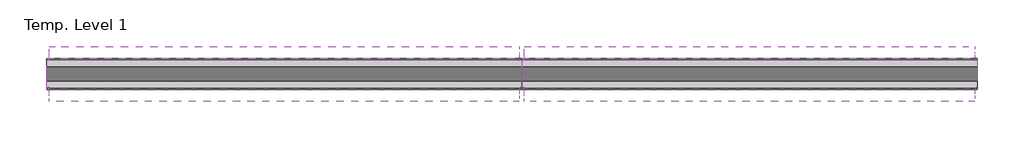
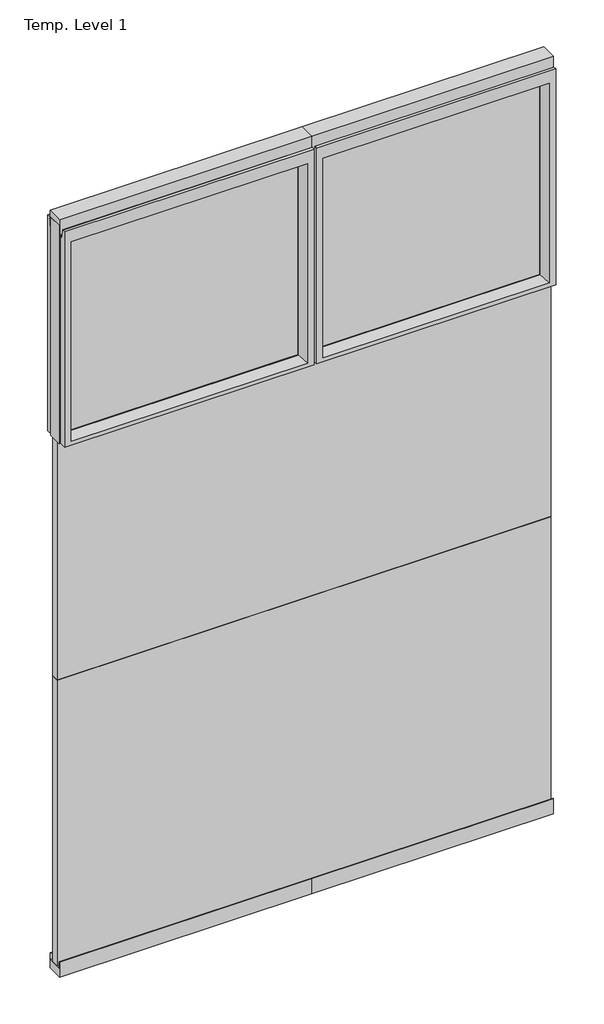
# One storey: 4 members, 4 plates.
"""IFC4 building model written with IfcOpenShell, lengths in millimetres."""

import ifcopenshell
import ifcopenshell.guid

model = None  # the IFC model being written
_history = None  # IfcOwnerHistory: only IFC2X3 demands one
_inside = {}  # id of a spatial element -> (the spatial element, [elements in it])
_under = {}  # id of a project, library or spatial element -> (it, [spatial elements below it])
_declared = {}  # id of a project -> (the project, [libraries it declares])
_typed = {}  # id of a type object -> (the type object, [elements of that type])
_made_of = {}  # id of a material, layer set ... -> (it, [elements and type objects made of it])


def new_model(schema):
    """Start an empty IFC model of exactly this schema.

    Asked for "IFC4X3", IfcOpenShell would pick the latest addendum, in which some entities
    have other attributes; the version numbers below select the first issue.
    IFC2X3 requires an IfcOwnerHistory on every rooted entity: one is made here for all.
    """
    global model, _history
    if schema == "IFC4X3":
        model = ifcopenshell.file(schema_version=(4, 3, 0, 0))
    else:
        model = ifcopenshell.file(schema=schema)
    _inside.clear()
    _under.clear()
    _declared.clear()
    _typed.clear()
    _made_of.clear()
    _history = None
    if model.schema == "IFC2X3":
        org = make("IfcOrganization", Name="unknown")
        user = make(
            "IfcPersonAndOrganization",
            ThePerson=make("IfcPerson", FamilyName="unknown"),
            TheOrganization=org,
        )
        app = make(
            "IfcApplication",
            ApplicationDeveloper=org,
            Version="unknown",
            ApplicationFullName="unknown",
            ApplicationIdentifier="unknown",
        )
        _history = make(
            "IfcOwnerHistory",
            OwningUser=user,
            OwningApplication=app,
            ChangeAction="ADDED",
            CreationDate=0,
        )
    return model


def make(cls, **values):
    """One entity of the class cls with the attributes given. An attribute that is None is left unset."""
    return model.create_entity(
        cls, **{name: value for name, value in values.items() if value is not None}
    )


def rooted(cls, **values):
    """An entity with a GlobalId (a new one), such as an element, a storey or a relation."""
    return make(cls, GlobalId=ifcopenshell.guid.new(), OwnerHistory=_history, **values)


def si_unit(unit_type, name, prefix=None):
    """IfcSIUnit, for example si_unit("LENGTHUNIT", "METRE", prefix="MILLI")."""
    return make("IfcSIUnit", UnitType=unit_type, Prefix=prefix, Name=name)


def assignment(units):
    """IfcUnitAssignment: the units of a project."""
    return None if units is None else make("IfcUnitAssignment", Units=units)


def point(xyz):
    """IfcCartesianPoint."""
    return None if xyz is None else make("IfcCartesianPoint", Coordinates=xyz)


def direction(xyz):
    """IfcDirection."""
    return None if xyz is None else make("IfcDirection", DirectionRatios=xyz)


def frame(location, z_axis=None, x_axis=None):
    """IfcAxis2Placement3D, a coordinate frame: its origin and axes. An axis left out is left unset."""
    return make(
        "IfcAxis2Placement3D",
        Location=point(location),
        Axis=direction(z_axis),
        RefDirection=direction(x_axis),
    )


def origin():
    """The frame at (0, 0, 0) with its axes left unset."""
    return frame((0.0, 0.0, 0.0))


def place(relative_to, where):
    """IfcLocalPlacement: puts the frame where relative to a parent placement (None: the world)."""
    return make(
        "IfcLocalPlacement", PlacementRelTo=relative_to, RelativePlacement=where
    )


def context(
    kind, dimensions, precision=None, world=None, true_north=None, identifier=None
):
    """IfcGeometricRepresentationContext, for example the 3D "Model" context."""
    return make(
        "IfcGeometricRepresentationContext",
        ContextIdentifier=identifier,
        ContextType=kind,
        CoordinateSpaceDimension=dimensions,
        Precision=precision,
        WorldCoordinateSystem=world,
        TrueNorth=true_north,
    )


def project(units=None, contexts=None):
    """IfcProject with its units and contexts."""
    return rooted(
        "IfcProject",
        Name="project",
        RepresentationContexts=contexts,
        UnitsInContext=assignment(units),
    )


def spatial(cls, under=None, at=None, **own):
    """A site, building, storey or space (cls), placed at a placement, below another one or the project."""
    s = rooted(cls, ObjectPlacement=at, **own)
    if under is not None:
        _under.setdefault(under.id(), (under, []))[1].append(s)
    return s


def polyline(points):
    """IfcPolyline through the points."""
    return make("IfcPolyline", Points=[point(p) for p in points])


def circle_curve(where, radius):
    """IfcCircle in the frame where."""
    return make("IfcCircle", Position=where, Radius=radius)


def outline(outer, holes=None, kind="AREA"):
    """IfcArbitraryClosedProfileDef: a profile drawn as a closed curve; with holes, ...WithVoids."""
    if holes is None:
        return make("IfcArbitraryClosedProfileDef", ProfileType=kind, OuterCurve=outer)
    return make(
        "IfcArbitraryProfileDefWithVoids",
        ProfileType=kind,
        OuterCurve=outer,
        InnerCurves=holes,
    )


def extrude(swept, where, along, depth):
    """IfcExtrudedAreaSolid: the profile swept, set in the frame where, extruded along a direction by depth."""
    return make(
        "IfcExtrudedAreaSolid",
        SweptArea=swept,
        Position=where,
        ExtrudedDirection=direction(along),
        Depth=depth,
    )


def shape(context_of_items, identifier, shape_type, items):
    """IfcShapeRepresentation: the items that make up one representation, for example the "Body"."""
    return make(
        "IfcShapeRepresentation",
        ContextOfItems=context_of_items,
        RepresentationIdentifier=identifier,
        RepresentationType=shape_type,
        Items=items,
    )


def source(mapping_origin, context_of_items, identifier, shape_type, items):
    """IfcRepresentationMap: a shape defined once, which mapped items show again and again."""
    return make(
        "IfcRepresentationMap",
        MappingOrigin=mapping_origin,
        MappedRepresentation=shape(context_of_items, identifier, shape_type, items),
    )


def transform(
    local_origin,
    x_axis=None,
    y_axis=None,
    z_axis=None,
    scale=None,
    scale2=None,
    scale3=None,
    uniform=True,
):
    """IfcCartesianTransformationOperator3D, or its non-uniform kind. x_axis, y_axis, z_axis: its Axis1, 2, 3."""
    if uniform:
        return make(
            "IfcCartesianTransformationOperator3D",
            Axis1=direction(x_axis),
            Axis2=direction(y_axis),
            LocalOrigin=point(local_origin),
            Scale=scale,
            Axis3=direction(z_axis),
        )
    return make(
        "IfcCartesianTransformationOperator3DnonUniform",
        Axis1=direction(x_axis),
        Axis2=direction(y_axis),
        LocalOrigin=point(local_origin),
        Scale=scale,
        Axis3=direction(z_axis),
        Scale2=scale2,
        Scale3=scale3,
    )


def mapped(mapping_source, mapping_target):
    """IfcMappedItem: shows the shape of a source again, moved by a transform."""
    return make(
        "IfcMappedItem", MappingSource=mapping_source, MappingTarget=mapping_target
    )


def made_of(thing, what):
    """Note that an element or type object is made of a material, layer set ...; save() writes the relation."""
    if what is not None:
        _made_of.setdefault(what.id(), (what, []))[1].append(thing)
    return thing


def element(
    cls,
    number,
    at=None,
    inside=None,
    cuts=None,
    type_object=None,
    material=None,
    context=None,
    identifier="Body",
    shape_type=None,
    held_by="IfcProductDefinitionShape",
    body=None,
    shapes=None,
    **own,
):
    """One element of the class cls, such as IfcWall. Its Tag is "e" and its number.

    at: its placement. inside: the storey or other place that contains it. cuts: it is an
    opening in that element (IfcRelVoidsElement). A single representation is given by context,
    identifier, shape_type and body (its items); several are given by shapes. held_by: the class
    of the entity that holds the representations. save() writes the other relations.
    """
    e = rooted(cls, Tag="e%d" % number, ObjectPlacement=at, **own)
    if body is not None:
        shapes = [shape(context, identifier, shape_type, body)]
    if shapes is not None:
        e.Representation = make(held_by, Representations=shapes)
    if inside is not None:
        _inside.setdefault(inside.id(), (inside, []))[1].append(e)
    if cuts is not None:
        rooted(
            "IfcRelVoidsElement", RelatingBuildingElement=cuts, RelatedOpeningElement=e
        )
    if type_object is not None:
        _typed.setdefault(type_object.id(), (type_object, []))[1].append(e)
    return made_of(e, material)


def aggregate(whole, parts):
    """IfcRelAggregates: a whole, such as a stair, and the parts it consists of."""
    return rooted("IfcRelAggregates", RelatingObject=whole, RelatedObjects=parts)


def save(model, path):
    """Write the relations noted so far, then the file.

    IfcRelAggregates (storeys below a building ...), IfcRelContainedInSpatialStructure (elements
    in a storey), IfcRelDefinesByType, IfcRelAssociatesMaterial and IfcRelDeclares: one each for
    every whole, place, type object, material and project.
    """
    for whole, parts in _under.values():
        aggregate(whole, parts)
    for where, things in _inside.values():
        rooted(
            "IfcRelContainedInSpatialStructure",
            RelatedElements=things,
            RelatingStructure=where,
        )
    for kind, things in _typed.values():
        rooted("IfcRelDefinesByType", RelatedObjects=things, RelatingType=kind)
    for what, things in _made_of.values():
        rooted("IfcRelAssociatesMaterial", RelatedObjects=things, RelatingMaterial=what)
    for by, libraries in _declared.values():
        rooted("IfcRelDeclares", RelatingContext=by, RelatedDefinitions=libraries)
    model.write(path)


def plane_surface(at):
    """IfcPlane: the flat surface through the origin of the frame at, square to its z axis."""
    return make("IfcPlane", Position=at)


def cylinder_surface(at, radius):
    """IfcCylindricalSurface: all points at the distance radius from the z axis of the frame at."""
    return make("IfcCylindricalSurface", Position=at, Radius=radius)


def revolved_surface(curve, axis_point, axis_direction):
    """IfcSurfaceOfRevolution: the curve turned about the line through axis_point along axis_direction."""
    return make(
        "IfcSurfaceOfRevolution",
        SweptCurve=make("IfcArbitraryOpenProfileDef", ProfileType="CURVE", Curve=curve),
        AxisPosition=make("IfcAxis1Placement", Location=point(axis_point), Axis=direction(axis_direction)),
    )


def advanced_brep(points, edges, surfaces, faces):
    """IfcAdvancedBrep: a solid bounded by faces that lie on surfaces and meet in shared edges.

    An edge is (start, end): straight between two places in points (the first is 0);
    or (start, end, curve); or (start, end, curve, False) where it runs against its curve.
    A face is (place in surfaces, loops), or (place, loops, False) where it looks against
    its surface's normal. A loop lists edges by number (the first is 1), with a minus sign
    where the edge is run from its end to its start. The first loop is the outer one.
    """
    corners = [point(p) for p in points]
    vertices = [make("IfcVertexPoint", VertexGeometry=c) for c in corners]
    made = []
    for start, end, *more in edges:
        made.append(
            make(
                "IfcEdgeCurve",
                EdgeStart=vertices[start],
                EdgeEnd=vertices[end],
                EdgeGeometry=more[0] if more else make("IfcPolyline", Points=[corners[start], corners[end]]),
                SameSense=more[1] if len(more) > 1 else True,
            )
        )
    hull = []
    for where, loops, *sense in faces:
        bounds = []
        for j, loop in enumerate(loops):
            ring = [make("IfcOrientedEdge", EdgeElement=made[abs(k) - 1], Orientation=k > 0) for k in loop]
            bounds.append(
                make(
                    "IfcFaceOuterBound" if j == 0 else "IfcFaceBound",
                    Bound=make("IfcEdgeLoop", EdgeList=ring),
                    Orientation=True,
                )
            )
        hull.append(make("IfcAdvancedFace", Bounds=bounds, FaceSurface=surfaces[where], SameSense=sense[0] if sense else True))
    return make("IfcAdvancedBrep", Outer=make("IfcClosedShell", CfsFaces=hull))


def rectangular_mullion_51de0c39(model_context):
    return source(origin(), model_context, "Body", "SweptSolid", [
        extrude(outline(polyline([(-55.118, -26.67), (-22.86, -26.67), (-22.86, 26.67), (-55.118, 26.67), (-55.118, 28.448), (0.0, 28.448), (0.0, -28.448), (-55.118, -28.448), (-55.118, -26.67)])), frame((0.0, 0.0, -828.1414866), z_axis=(0.0, 0.0, 1.0), x_axis=(1.0, 0.0, 0.0)), (0.0, 0.0, 1.0), 828.1414866),
    ])


def rectangular_mullion_ea478dcf(model_context):
    return source(origin(), model_context, "Body", "SweptSolid", [
        extrude(outline(polyline([(-32.004, 26.67), (-54.991, 26.67), (-54.991, 28.448), (0.0, 28.448), (0.0, -28.448), (-54.991, -28.448), (-54.991, -26.67), (-32.004, -26.67), (-32.004, 26.67)])), frame((0.0, 0.0, -863.6), z_axis=(0.0, 0.0, 1.0), x_axis=(1.0, 0.0, 0.0)), (0.0, 0.0, 1.0), 863.6),
    ])


def rectangular_mullion_29670f43(model_context):
    return source(origin(), model_context, "Body", "SweptSolid", [
        extrude(outline(polyline([(-55.118, -26.67), (-22.86, -26.67), (-22.86, 26.67), (-55.118, 26.67), (-55.118, 28.448), (0.0, 28.448), (0.0, -28.448), (-55.118, -28.448), (-55.118, -26.67)])), frame((0.0, 0.0, -863.6), z_axis=(0.0, 0.0, 1.0), x_axis=(1.0, 0.0, 0.0)), (0.0, 0.0, 1.0), 863.6),
    ])


def rectangular_mullion_9e4c3fff(model_context):
    return source(origin(), model_context, "Body", "SweptSolid", [
        extrude(outline(polyline([(-32.004, 26.67), (-54.991, 26.67), (-54.991, 28.448), (0.0, 28.448), (0.0, -28.448), (-54.991, -28.448), (-54.991, -26.67), (-32.004, -26.67), (-32.004, 26.67)])), frame((0.0, 0.0, -828.1414866), z_axis=(0.0, 0.0, 1.0), x_axis=(1.0, 0.0, 0.0)), (0.0, 0.0, 1.0), 828.1414866),
    ])


def full_height_09c7e475(model_context):
    return source(origin(), model_context, "Body", "SolidModel", [
        advanced_brep(
        [(427.228, -50.0, 0.0), (-427.228, -50.0, 0.0), (-427.228, -25.146, 0.0), (-431.8, -25.146, 0.0), (-431.8, 25.146, 0.0), (-427.228, 25.146, 0.0), (-427.228, 50.0, 0.0), (427.228, 50.0, 0.0), (427.228, 25.146, 0.0), (431.8, 25.146, 0.0), (431.8, -25.146, 0.0), (427.228, -25.146, 0.0), (431.8, -25.146, 789.94), (431.8, 25.146, 789.94), (427.228, 25.146, 789.94), (427.228, 26.67, 789.94), (-427.228, 26.67, 789.94), (-427.228, 25.146, 789.94), (-431.8, 25.146, 789.94), (-431.8, -25.146, 789.94), (-427.228, -25.146, 789.94), (-427.228, -26.67, 789.94), (427.228, -26.67, 789.94), (427.228, -25.146, 789.94), (-427.228, -26.67, 752.729), (427.228, -26.67, 752.729), (-427.228, 26.67, 752.729), (-427.228, 34.2321175, 752.0674004), (-427.228, 39.1867152, 780.1663199), (-427.228, 39.9371387, 780.796), (-427.228, 50.0, 780.796), (-427.228, -50.0, 780.796), (-427.228, -39.9371387, 780.796), (-427.228, -39.1867152, 780.1663199), (-427.228, -34.2321175, 752.0674004), (427.228, 50.0, 780.796), (-405.13, 50.0, 736.219), (-405.13, 50.0, 13.9954), (405.13, 50.0, 13.9954), (405.13, 50.0, 736.219), (427.228, -50.0, 780.796), (-405.13, -50.0, 13.9954), (-405.13, -50.0, 736.219), (405.13, -50.0, 736.219), (405.13, -50.0, 13.9954), (-399.161, 6.1006519, 730.25), (-399.161, 6.1006519, 18.3896), (-399.161, -6.1006519, 18.3896), (-399.161, -6.1006519, 730.25), (399.161, -6.1006519, 730.25), (399.161, -6.1006519, 18.3896), (399.161, 6.1006519, 730.25), (399.161, 6.1006519, 18.3896), (427.228, -34.2321175, 752.0674004), (427.228, -39.1867152, 780.1663199), (427.228, -39.9371387, 780.796), (427.228, 39.9371387, 780.796), (427.228, 39.1867152, 780.1663199), (427.228, 34.2321175, 752.0674004), (427.228, 26.67, 752.729)],
        [
            (0, 1),
            (1, 2),
            (2, 3),
            (3, 4),
            (4, 5),
            (5, 6),
            (6, 7),
            (7, 8),
            (8, 9),
            (9, 10),
            (10, 11),
            (11, 0),
            (12, 13),
            (13, 14),
            (14, 15),
            (15, 16),
            (16, 17),
            (17, 18),
            (18, 19),
            (19, 20),
            (20, 21),
            (21, 22),
            (22, 23),
            (23, 12),
            (10, 12),
            (23, 11),
            (13, 9),
            (8, 14),
            (18, 4),
            (3, 19),
            (17, 5),
            (2, 20),
            (24, 25),
            (25, 22),
            (21, 24),
            (16, 26),
            (26, 27, circle_curve(frame((-427.228, 30.48, 752.729), z_axis=(1.0, 0.0, 0.0), x_axis=(0.0, 1.0, 0.0)), 3.81)),
            (27, 28),
            (28, 29, circle_curve(frame((-427.228, 39.9371387, 780.034), z_axis=(-1.0, 0.0, 0.0), x_axis=(0.0, 1.0, 0.0)), 0.762)),
            (29, 30),
            (30, 6),
            (1, 31),
            (31, 32),
            (32, 33, circle_curve(frame((-427.228, -39.9371387, 780.034), z_axis=(-1.0, 0.0, 0.0), x_axis=(0.0, 1.0, 0.0)), 0.762)),
            (33, 34),
            (34, 24, circle_curve(frame((-427.228, -30.48, 752.729), z_axis=(1.0, 0.0, 0.0), x_axis=(0.0, 1.0, 0.0)), 3.81)),
            (30, 35),
            (35, 7),
            (36, 37),
            (37, 38),
            (38, 39),
            (39, 36),
            (0, 40),
            (40, 31),
            (41, 42),
            (42, 43),
            (43, 44),
            (44, 41),
            (36, 45),
            (45, 46),
            (46, 37),
            (41, 47),
            (47, 48),
            (48, 42),
            (43, 49),
            (49, 50),
            (50, 44),
            (51, 39),
            (38, 52),
            (52, 51),
            (25, 53, circle_curve(frame((427.228, -30.48, 752.729), z_axis=(-1.0, 0.0, 0.0), x_axis=(0.0, 1.0, 0.0)), 3.81)),
            (53, 54),
            (54, 55, circle_curve(frame((427.228, -39.9371387, 780.034), z_axis=(1.0, 0.0, 0.0), x_axis=(0.0, 1.0, 0.0)), 0.762)),
            (55, 40),
            (35, 56),
            (56, 57, circle_curve(frame((427.228, 39.9371387, 780.034), z_axis=(1.0, 0.0, 0.0), x_axis=(0.0, 1.0, 0.0)), 0.762)),
            (57, 58),
            (58, 59, circle_curve(frame((427.228, 30.48, 752.729), z_axis=(-1.0, 0.0, 0.0), x_axis=(0.0, 1.0, 0.0)), 3.81)),
            (59, 15),
            (55, 32),
            (29, 56),
            (59, 26),
            (51, 45),
            (33, 54),
            (53, 34),
            (28, 57),
            (27, 58),
            (46, 52),
            (50, 47),
            (48, 49),
            (51, 49),
            (48, 45),
            (46, 47),
            (50, 52),
        ],
        [
            plane_surface(frame((-427.228, 50.0, 0.0), z_axis=(0.0, 0.0, -1.0), x_axis=(0.0, -1.0, 0.0))),
            plane_surface(frame((427.228, -25.146, 789.94), z_axis=(0.0, 0.0, 1.0), x_axis=(-1.0, 0.0, 0.0))),
            plane_surface(frame((431.8, -25.146, 789.94), z_axis=(0.0, -1.0, 0.0), x_axis=(0.0, 0.0, -1.0))),
            plane_surface(frame((427.228, 25.146, 789.94), z_axis=(0.0, 1.0, 0.0), x_axis=(0.0, 0.0, -1.0))),
            plane_surface(frame((431.8, 25.146, 789.94), z_axis=(1.0, 0.0, 0.0), x_axis=(0.0, 0.0, -1.0))),
            plane_surface(frame((-431.8, -25.146, 789.94), z_axis=(-1.0, 0.0, 0.0), x_axis=(0.0, 0.0, -1.0))),
            plane_surface(frame((-431.8, 25.146, 789.94), z_axis=(0.0, 1.0, 0.0), x_axis=(0.0, 0.0, -1.0))),
            plane_surface(frame((-427.228, -25.146, 789.94), z_axis=(0.0, -1.0, 0.0), x_axis=(0.0, 0.0, -1.0))),
            plane_surface(frame((-427.228, -26.67, 789.94), z_axis=(0.0, -1.0, 0.0), x_axis=(1.0, 0.0, 0.0))),
            plane_surface(frame((-427.228, -50.0, 748.0046), z_axis=(-1.0, 0.0, 0.0), x_axis=(0.0, 0.0, -1.0))),
            plane_surface(frame((-427.228, 50.0, 748.0046), z_axis=(0.0, 1.0, 0.0), x_axis=(0.0, 0.0, -1.0))),
            plane_surface(frame((-405.13, -50.0, 748.0046), z_axis=(0.0, -1.0, 0.0), x_axis=(0.0, 0.0, -1.0))),
            plane_surface(frame((-405.13, 50.0, 748.0046), z_axis=(0.990882294353361, 0.13473039277393772, 0.0), x_axis=(0.0, 0.0, -1.0))),
            plane_surface(frame((-399.161, -6.1006519, 748.0046), z_axis=(0.990882294353361, -0.13473039277393709, 0.0), x_axis=(0.0, 0.0, -1.0))),
            plane_surface(frame((405.13, -50.0, 748.0046), z_axis=(-0.9908822943533626, -0.134730392773925, 0.0), x_axis=(0.0, 0.0, -1.0))),
            plane_surface(frame((399.161, 6.1006519, 748.0046), z_axis=(-0.9908822943533585, 0.13473039277395565, 0.0), x_axis=(0.0, 0.0, -1.0))),
            plane_surface(frame((427.228, 50.0, 748.0046), z_axis=(1.0, 0.0, 0.0), x_axis=(0.0, 0.0, -1.0))),
            plane_surface(frame((-427.228, -39.9371387, 780.796), z_axis=(0.0, 0.0, 1.0), x_axis=(1.0, 0.0, 0.0))),
            plane_surface(frame((-427.228, 50.0, 780.796), z_axis=(0.0, 0.0, 1.0), x_axis=(1.0, 0.0, 0.0))),
            plane_surface(frame((-427.228, 26.67, 752.729), z_axis=(0.0, 1.0, 0.0), x_axis=(1.0, 0.0, 0.0))),
            plane_surface(frame((-427.228, 6.1006519, 730.25), z_axis=(0.0, 0.13473039277393184, -0.9908822943533617), x_axis=(1.0, 0.0, 0.0))),
            plane_surface(frame((-427.228, -34.2321175, 752.0674004), z_axis=(0.0, 0.9848077530122084, 0.17364817766692875), x_axis=(1.0, 0.0, 0.0))),
            revolved_surface(polyline([(427.228, -26.67, 752.729), (-427.228, -26.67, 752.729)]), (427.228, -30.48, 752.729), (1.0, 0.0, 0.0)),
            cylinder_surface(frame((427.228, -39.9371387, 780.034), z_axis=(-1.0, 0.0, 0.0), x_axis=(0.0, 1.0, 0.0)), 0.762),
            cylinder_surface(frame((427.228, 39.9371387, 780.034), z_axis=(-1.0, 0.0, 0.0), x_axis=(0.0, 1.0, 0.0)), 0.762),
            plane_surface(frame((-427.228, 39.1867152, 780.1663199), z_axis=(0.0, -0.9848077530122005, 0.17364817766697394), x_axis=(1.0, 0.0, 0.0))),
            revolved_surface(polyline([(427.228, 34.29, 752.729), (-427.228, 34.29, 752.729)]), (427.228, 30.48, 752.729), (1.0, 0.0, 0.0)),
            plane_surface(frame((-427.228, 50.0, 13.9954), z_axis=(0.0, 0.09959943661133767, 0.9950276138010965), x_axis=(1.0, 0.0, 0.0))),
            plane_surface(frame((-427.228, -6.1006519, 18.3896), z_axis=(0.0, -0.09959943661137731, 0.9950276138010926), x_axis=(1.0, 0.0, 0.0))),
            plane_surface(frame((-427.228, -50.0, 736.219), z_axis=(0.0, -0.13473039277391685, -0.9908822943533637), x_axis=(1.0, 0.0, 0.0))),
            plane_surface(frame((-427.228, -6.1006519, 730.25), z_axis=(0.0, 0.0, -1.0), x_axis=(1.0, 0.0, 0.0))),
            plane_surface(frame((-427.228, 6.1006519, 18.3896), z_axis=(0.0, 0.0, 1.0), x_axis=(1.0, 0.0, 0.0))),
            plane_surface(frame((-399.161, 6.1006519, 748.0046), z_axis=(1.0, 0.0, 0.0), x_axis=(0.0, 0.0, -1.0))),
            plane_surface(frame((399.161, -6.1006519, 748.0046), z_axis=(-1.0, 0.0, 0.0), x_axis=(0.0, 0.0, -1.0))),
        ],
        [
            (0, [[1, 2, 3, 4, 5, 6, 7, 8, 9, 10, 11, 12]]),
            (1, [[13, 14, 15, 16, 17, 18, 19, 20, 21, 22, 23, 24]]),
            (2, [[-11, 25, -24, 26]]),
            (3, [[27, -9, 28, -14]]),
            (4, [[-25, -10, -27, -13]]),
            (5, [[29, -4, 30, -19]]),
            (6, [[-5, -29, -18, 31]]),
            (7, [[-30, -3, 32, -20]]),
            (8, [[33, 34, -22, 35]]),
            (9, [[-31, -17, 36, 37, 38, 39, 40, 41, -6]]),
            (9, [[42, 43, 44, 45, 46, -35, -21, -32, -2]]),
            (10, [[47, 48, -7, -41], [49, 50, 51, 52]]),
            (11, [[53, 54, -42, -1], [55, 56, 57, 58]]),
            (12, [[59, 60, 61, -49]]),
            (13, [[62, 63, 64, -55]]),
            (14, [[65, 66, 67, -57]]),
            (15, [[68, -51, 69, 70]]),
            (16, [[-26, -23, -34, 71, 72, 73, 74, -53, -12]]),
            (16, [[75, 76, 77, 78, 79, -15, -28, -8, -48]]),
            (17, [[-54, -74, 80, -43]]),
            (18, [[81, -75, -47, -40]]),
            (19, [[-16, -79, 82, -36]]),
            (20, [[-68, 83, -59, -52]]),
            (21, [[84, -72, 85, -45]]),
            (22, [[-85, -71, -33, -46]]),
            (23, [[-80, -73, -84, -44]]),
            (24, [[86, -76, -81, -39]]),
            (25, [[87, -77, -86, -38]]),
            (26, [[-82, -78, -87, -37]]),
            (27, [[-61, 88, -69, -50]]),
            (28, [[-67, 89, -62, -58]]),
            (29, [[-64, 90, -65, -56]]),
            (30, [[91, -90, 92, -83]]),
            (31, [[93, -89, 94, -88]]),
            (32, [[-93, -60, -92, -63]]),
            (33, [[-94, -66, -91, -70]]),
        ],
    ),
        extrude(outline(polyline([(-399.161, -3.175), (-399.161, 3.175), (399.161, 3.175), (399.161, -3.175), (-399.161, -3.175)])), frame((0.0, 0.0, 18.3896), z_axis=(0.0, 0.0, 1.0), x_axis=(1.0, 0.0, 0.0)), (0.0, 0.0, 1.0), 711.8604),
    ])


def full_height_0f34fd0c(model_context):
    return source(origin(), model_context, "Body", "SolidModel", [
        advanced_brep(
        [(409.4987433, -50.0, 0.0), (-409.4987433, -50.0, 0.0), (-409.4987433, -25.146, 0.0), (-414.0707433, -25.146, 0.0), (-414.0707433, 25.146, 0.0), (-409.4987433, 25.146, 0.0), (-409.4987433, 50.0, 0.0), (409.4987433, 50.0, 0.0), (409.4987433, 25.146, 0.0), (414.0707433, 25.146, 0.0), (414.0707433, -25.146, 0.0), (409.4987433, -25.146, 0.0), (414.0707433, -25.146, 789.94), (414.0707433, 25.146, 789.94), (409.4987433, 25.146, 789.94), (409.4987433, 26.67, 789.94), (-409.4987433, 26.67, 789.94), (-409.4987433, 25.146, 789.94), (-414.0707433, 25.146, 789.94), (-414.0707433, -25.146, 789.94), (-409.4987433, -25.146, 789.94), (-409.4987433, -26.67, 789.94), (409.4987433, -26.67, 789.94), (409.4987433, -25.146, 789.94), (-409.4987433, -26.67, 752.729), (409.4987433, -26.67, 752.729), (-409.4987433, 26.67, 752.729), (-409.4987433, 34.2321175, 752.0674004), (-409.4987433, 39.1867152, 780.1663199), (-409.4987433, 39.9371387, 780.796), (-409.4987433, 50.0, 780.796), (-409.4987433, -50.0, 780.796), (-409.4987433, -39.9371387, 780.796), (-409.4987433, -39.1867152, 780.1663199), (-409.4987433, -34.2321175, 752.0674004), (409.4987433, 50.0, 780.796), (-387.4007433, 50.0, 736.219), (-387.4007433, 50.0, 13.9954), (387.4007433, 50.0, 13.9954), (387.4007433, 50.0, 736.219), (409.4987433, -50.0, 780.796), (-387.4007433, -50.0, 13.9954), (-387.4007433, -50.0, 736.219), (387.4007433, -50.0, 736.219), (387.4007433, -50.0, 13.9954), (-381.4317433, 6.1006519, 730.25), (-381.4317433, 6.1006519, 18.3896), (-381.4317433, -6.1006519, 18.3896), (-381.4317433, -6.1006519, 730.25), (381.4317433, -6.1006519, 730.25), (381.4317433, -6.1006519, 18.3896), (381.4317433, 6.1006519, 730.25), (381.4317433, 6.1006519, 18.3896), (409.4987433, -34.2321175, 752.0674004), (409.4987433, -39.1867152, 780.1663199), (409.4987433, -39.9371387, 780.796), (409.4987433, 39.9371387, 780.796), (409.4987433, 39.1867152, 780.1663199), (409.4987433, 34.2321175, 752.0674004), (409.4987433, 26.67, 752.729)],
        [
            (0, 1),
            (1, 2),
            (2, 3),
            (3, 4),
            (4, 5),
            (5, 6),
            (6, 7),
            (7, 8),
            (8, 9),
            (9, 10),
            (10, 11),
            (11, 0),
            (12, 13),
            (13, 14),
            (14, 15),
            (15, 16),
            (16, 17),
            (17, 18),
            (18, 19),
            (19, 20),
            (20, 21),
            (21, 22),
            (22, 23),
            (23, 12),
            (10, 12),
            (23, 11),
            (13, 9),
            (8, 14),
            (18, 4),
            (3, 19),
            (17, 5),
            (2, 20),
            (24, 25),
            (25, 22),
            (21, 24),
            (16, 26),
            (26, 27, circle_curve(frame((-409.4987433, 30.48, 752.729), z_axis=(1.0, 0.0, 0.0), x_axis=(0.0, 1.0, 0.0)), 3.81)),
            (27, 28),
            (28, 29, circle_curve(frame((-409.4987433, 39.9371387, 780.034), z_axis=(-1.0, 0.0, 0.0), x_axis=(0.0, 1.0, 0.0)), 0.762)),
            (29, 30),
            (30, 6),
            (1, 31),
            (31, 32),
            (32, 33, circle_curve(frame((-409.4987433, -39.9371387, 780.034), z_axis=(-1.0, 0.0, 0.0), x_axis=(0.0, 1.0, 0.0)), 0.762)),
            (33, 34),
            (34, 24, circle_curve(frame((-409.4987433, -30.48, 752.729), z_axis=(1.0, 0.0, 0.0), x_axis=(0.0, 1.0, 0.0)), 3.81)),
            (30, 35),
            (35, 7),
            (36, 37),
            (37, 38),
            (38, 39),
            (39, 36),
            (0, 40),
            (40, 31),
            (41, 42),
            (42, 43),
            (43, 44),
            (44, 41),
            (36, 45),
            (45, 46),
            (46, 37),
            (41, 47),
            (47, 48),
            (48, 42),
            (43, 49),
            (49, 50),
            (50, 44),
            (51, 39),
            (38, 52),
            (52, 51),
            (25, 53, circle_curve(frame((409.4987433, -30.48, 752.729), z_axis=(-1.0, 0.0, 0.0), x_axis=(0.0, 1.0, 0.0)), 3.81)),
            (53, 54),
            (54, 55, circle_curve(frame((409.4987433, -39.9371387, 780.034), z_axis=(1.0, 0.0, 0.0), x_axis=(0.0, 1.0, 0.0)), 0.762)),
            (55, 40),
            (35, 56),
            (56, 57, circle_curve(frame((409.4987433, 39.9371387, 780.034), z_axis=(1.0, 0.0, 0.0), x_axis=(0.0, 1.0, 0.0)), 0.762)),
            (57, 58),
            (58, 59, circle_curve(frame((409.4987433, 30.48, 752.729), z_axis=(-1.0, 0.0, 0.0), x_axis=(0.0, 1.0, 0.0)), 3.81)),
            (59, 15),
            (55, 32),
            (29, 56),
            (59, 26),
            (51, 45),
            (33, 54),
            (53, 34),
            (28, 57),
            (27, 58),
            (46, 52),
            (50, 47),
            (48, 49),
            (51, 49),
            (48, 45),
            (46, 47),
            (50, 52),
        ],
        [
            plane_surface(frame((-409.4987433, 50.0, 0.0), z_axis=(0.0, 0.0, -1.0), x_axis=(0.0, -1.0, 0.0))),
            plane_surface(frame((409.4987433, -25.146, 789.94), z_axis=(0.0, 0.0, 1.0), x_axis=(-1.0, 0.0, 0.0))),
            plane_surface(frame((414.0707433, -25.146, 789.94), z_axis=(0.0, -1.0, 0.0), x_axis=(0.0, 0.0, -1.0))),
            plane_surface(frame((409.4987433, 25.146, 789.94), z_axis=(0.0, 1.0, 0.0), x_axis=(0.0, 0.0, -1.0))),
            plane_surface(frame((414.0707433, 25.146, 789.94), z_axis=(1.0, 0.0, 0.0), x_axis=(0.0, 0.0, -1.0))),
            plane_surface(frame((-414.0707433, -25.146, 789.94), z_axis=(-1.0, 0.0, 0.0), x_axis=(0.0, 0.0, -1.0))),
            plane_surface(frame((-414.0707433, 25.146, 789.94), z_axis=(0.0, 1.0, 0.0), x_axis=(0.0, 0.0, -1.0))),
            plane_surface(frame((-409.4987433, -25.146, 789.94), z_axis=(0.0, -1.0, 0.0), x_axis=(0.0, 0.0, -1.0))),
            plane_surface(frame((-409.4987433, -26.67, 789.94), z_axis=(0.0, -1.0, 0.0), x_axis=(1.0, 0.0, 0.0))),
            plane_surface(frame((-409.4987433, -50.0, 748.0046), z_axis=(-1.0, 0.0, 0.0), x_axis=(0.0, 0.0, -1.0))),
            plane_surface(frame((-409.4987433, 50.0, 748.0046), z_axis=(0.0, 1.0, 0.0), x_axis=(0.0, 0.0, -1.0))),
            plane_surface(frame((-387.4007433, -50.0, 748.0046), z_axis=(0.0, -1.0, 0.0), x_axis=(0.0, 0.0, -1.0))),
            plane_surface(frame((-387.4007433, 50.0, 748.0046), z_axis=(0.990882294353361, 0.13473039277393772, 0.0), x_axis=(0.0, 0.0, -1.0))),
            plane_surface(frame((-381.4317433, -6.1006519, 748.0046), z_axis=(0.990882294353361, -0.13473039277393709, 0.0), x_axis=(0.0, 0.0, -1.0))),
            plane_surface(frame((387.4007433, -50.0, 748.0046), z_axis=(-0.9908822943533626, -0.134730392773925, 0.0), x_axis=(0.0, 0.0, -1.0))),
            plane_surface(frame((381.4317433, 6.1006519, 748.0046), z_axis=(-0.9908822943533585, 0.13473039277395565, 0.0), x_axis=(0.0, 0.0, -1.0))),
            plane_surface(frame((409.4987433, 50.0, 748.0046), z_axis=(1.0, 0.0, 0.0), x_axis=(0.0, 0.0, -1.0))),
            plane_surface(frame((-409.4987433, -39.9371387, 780.796), z_axis=(0.0, 0.0, 1.0), x_axis=(1.0, 0.0, 0.0))),
            plane_surface(frame((-409.4987433, 50.0, 780.796), z_axis=(0.0, 0.0, 1.0), x_axis=(1.0, 0.0, 0.0))),
            plane_surface(frame((-409.4987433, 26.67, 752.729), z_axis=(0.0, 1.0, 0.0), x_axis=(1.0, 0.0, 0.0))),
            plane_surface(frame((-409.4987433, 6.1006519, 730.25), z_axis=(0.0, 0.13473039277393184, -0.9908822943533617), x_axis=(1.0, 0.0, 0.0))),
            plane_surface(frame((-409.4987433, -34.2321175, 752.0674004), z_axis=(0.0, 0.9848077530122084, 0.17364817766692892), x_axis=(1.0, 0.0, 0.0))),
            revolved_surface(polyline([(409.4987433, -26.67, 752.729), (-409.4987433, -26.67, 752.729)]), (409.4987433, -30.48, 752.729), (1.0, 0.0, 0.0)),
            cylinder_surface(frame((409.4987433, -39.9371387, 780.034), z_axis=(-1.0, 0.0, 0.0), x_axis=(0.0, 1.0, 0.0)), 0.762),
            cylinder_surface(frame((409.4987433, 39.9371387, 780.034), z_axis=(-1.0, 0.0, 0.0), x_axis=(0.0, 1.0, 0.0)), 0.762),
            plane_surface(frame((-409.4987433, 39.1867152, 780.1663199), z_axis=(0.0, -0.9848077530122005, 0.1736481776669738), x_axis=(1.0, 0.0, 0.0))),
            revolved_surface(polyline([(409.4987433, 34.29, 752.729), (-409.4987433, 34.29, 752.729)]), (409.4987433, 30.48, 752.729), (1.0, 0.0, 0.0)),
            plane_surface(frame((-409.4987433, 50.0, 13.9954), z_axis=(0.0, 0.09959943661133767, 0.9950276138010965), x_axis=(1.0, 0.0, 0.0))),
            plane_surface(frame((-409.4987433, -6.1006519, 18.3896), z_axis=(0.0, -0.0995994366113773, 0.9950276138010926), x_axis=(1.0, 0.0, 0.0))),
            plane_surface(frame((-409.4987433, -50.0, 736.219), z_axis=(0.0, -0.13473039277391685, -0.9908822943533637), x_axis=(1.0, 0.0, 0.0))),
            plane_surface(frame((-409.4987433, -6.1006519, 730.25), z_axis=(0.0, 0.0, -1.0), x_axis=(1.0, 0.0, 0.0))),
            plane_surface(frame((-409.4987433, 6.1006519, 18.3896), z_axis=(0.0, 0.0, 1.0), x_axis=(1.0, 0.0, 0.0))),
            plane_surface(frame((-381.4317433, 6.1006519, 748.0046), z_axis=(1.0, 0.0, 0.0), x_axis=(0.0, 0.0, -1.0))),
            plane_surface(frame((381.4317433, -6.1006519, 748.0046), z_axis=(-1.0, 0.0, 0.0), x_axis=(0.0, 0.0, -1.0))),
        ],
        [
            (0, [[1, 2, 3, 4, 5, 6, 7, 8, 9, 10, 11, 12]]),
            (1, [[13, 14, 15, 16, 17, 18, 19, 20, 21, 22, 23, 24]]),
            (2, [[-11, 25, -24, 26]]),
            (3, [[27, -9, 28, -14]]),
            (4, [[-25, -10, -27, -13]]),
            (5, [[29, -4, 30, -19]]),
            (6, [[-5, -29, -18, 31]]),
            (7, [[-30, -3, 32, -20]]),
            (8, [[33, 34, -22, 35]]),
            (9, [[-31, -17, 36, 37, 38, 39, 40, 41, -6]]),
            (9, [[42, 43, 44, 45, 46, -35, -21, -32, -2]]),
            (10, [[47, 48, -7, -41], [49, 50, 51, 52]]),
            (11, [[53, 54, -42, -1], [55, 56, 57, 58]]),
            (12, [[59, 60, 61, -49]]),
            (13, [[62, 63, 64, -55]]),
            (14, [[65, 66, 67, -57]]),
            (15, [[68, -51, 69, 70]]),
            (16, [[-26, -23, -34, 71, 72, 73, 74, -53, -12]]),
            (16, [[75, 76, 77, 78, 79, -15, -28, -8, -48]]),
            (17, [[-54, -74, 80, -43]]),
            (18, [[81, -75, -47, -40]]),
            (19, [[-16, -79, 82, -36]]),
            (20, [[-68, 83, -59, -52]]),
            (21, [[84, -72, 85, -45]]),
            (22, [[-85, -71, -33, -46]]),
            (23, [[-80, -73, -84, -44]]),
            (24, [[86, -76, -81, -39]]),
            (25, [[87, -77, -86, -38]]),
            (26, [[-82, -78, -87, -37]]),
            (27, [[-61, 88, -69, -50]]),
            (28, [[-67, 89, -62, -58]]),
            (29, [[-64, 90, -65, -56]]),
            (30, [[91, -90, 92, -83]]),
            (31, [[93, -89, 94, -88]]),
            (32, [[-93, -60, -92, -63]]),
            (33, [[-94, -66, -91, -70]]),
        ],
    ),
        extrude(outline(polyline([(-381.4317433, -3.175), (-381.4317433, 3.175), (381.4317433, 3.175), (381.4317433, -3.175), (-381.4317433, -3.175)])), frame((0.0, 0.0, 18.3896), z_axis=(0.0, 0.0, 1.0), x_axis=(1.0, 0.0, 0.0)), (0.0, 0.0, 1.0), 711.8604),
    ])


def system_panel_glazed_03a709b5(model_context):
    return source(origin(), model_context, "Body", "SweptSolid", [
        extrude(outline(polyline([(0.0, -845.8707433), (0.0, 17.7292567), (0.0, 845.8707433), (1034.796, 845.8707433), (1034.796, 17.7292567), (1034.796, -845.8707433), (0.0, -845.8707433)])), frame((0.0, -12.7, 0.0), z_axis=(0.0, 1.0, 0.0), x_axis=(0.0, 0.0, 1.0)), (0.0, 0.0, 1.0), 25.4),
    ])


def system_panel_glazed_e9849d72(model_context):
    return source(origin(), model_context, "Body", "SweptSolid", [
        extrude(outline(polyline([(0.0, -845.8707433), (0.0, 17.7292567), (0.0, 845.8707433), (863.6, 845.8707433), (863.6, 17.7292567), (863.6, -845.8707433), (0.0, -845.8707433)])), frame((0.0, -12.7, 0.0), z_axis=(0.0, 1.0, 0.0), x_axis=(0.0, 0.0, 1.0)), (0.0, 0.0, 1.0), 25.4),
    ])


model = new_model("IFC4")

# Units and contexts
model_context = context("Model", 3, world=origin())
ifc_project = project(units=[si_unit("LENGTHUNIT", "METRE", prefix="MILLI")], contexts=[model_context])

# Site, building, storey
site = spatial("IfcSite", under=ifc_project)
building = spatial("IfcBuilding", under=site)
storey = spatial("IfcBuildingStorey", under=building, Name="Temp. Level 1", Elevation=0.0)

# Members
placement = place(None, origin())
rectangular_mullion_shape = rectangular_mullion_51de0c39(model_context)
element("IfcMember", 1, ObjectType="Rectangular Mullion", at=placement, inside=storey, context=model_context, shape_type="MappedRepresentation", body=[
    mapped(rectangular_mullion_shape, transform((11700.744516, 9001.8667618, 2743.2), x_axis=(0.0, 0.0, 1.0), y_axis=(-3.380758223067554e-08, -0.9999999999999996, 0.0), z_axis=(0.9999999999999996, -3.380758223067554e-08, 0.0))),
])
rectangular_mullion_2_shape = rectangular_mullion_ea478dcf(model_context)
element("IfcMember", 2, ObjectType="Rectangular Mullion", at=placement, inside=storey, context=model_context, shape_type="MappedRepresentation", body=[
    mapped(rectangular_mullion_2_shape, transform((10009.0030294, 9001.866819, 0.0), x_axis=(0.0, 0.0, -1.0), y_axis=(-3.380758073490146e-08, -0.9999999999999996, 0.0), z_axis=(-0.9999999999999996, 3.380758073490146e-08, 0.0))),
])
rectangular_mullion_3_shape = rectangular_mullion_29670f43(model_context)
element("IfcMember", 3, ObjectType="Rectangular Mullion", at=placement, inside=storey, context=model_context, shape_type="MappedRepresentation", body=[
    mapped(rectangular_mullion_3_shape, transform((10872.6030294, 9001.8667898, 2743.2), x_axis=(0.0, 0.0, 1.0), y_axis=(-3.380758073490146e-08, -0.9999999999999996, 0.0), z_axis=(0.9999999999999996, -3.380758073490146e-08, 0.0))),
])
rectangular_mullion_4_shape = rectangular_mullion_9e4c3fff(model_context)
element("IfcMember", 4, ObjectType="Rectangular Mullion", at=placement, inside=storey, context=model_context, shape_type="MappedRepresentation", body=[
    mapped(rectangular_mullion_4_shape, transform((10872.6030294, 9001.8667898, 0.0), x_axis=(0.0, 0.0, -1.0), y_axis=(-3.380758223067554e-08, -0.9999999999999996, 0.0), z_axis=(-0.9999999999999996, 3.380758223067554e-08, 0.0))),
])

# Plates
full_height_shape = full_height_09c7e475(model_context)
element("IfcPlate", 5, ObjectType="Full Height", at=placement, inside=storey, context=model_context, shape_type="MappedRepresentation", body=[
    mapped(full_height_shape, transform((10440.8030294, 9001.8668044, 1930.4), x_axis=(0.9999999999999996, -3.3807581467113004e-08, 0.0), y_axis=(3.3807581467113004e-08, 0.9999999999999996, 0.0), z_axis=(0.0, 0.0, 1.0))),
])
full_height_2_shape = full_height_0f34fd0c(model_context)
element("IfcPlate", 6, ObjectType="Full Height", at=placement, inside=storey, context=model_context, shape_type="MappedRepresentation", body=[
    mapped(full_height_2_shape, transform((11286.6737727, 9001.8667758, 1930.4), x_axis=(0.9999999999999996, -3.3807581467113004e-08, 0.0), y_axis=(3.3807581467113004e-08, 0.9999999999999996, 0.0), z_axis=(0.0, 0.0, 1.0))),
])
system_panel_glazed_shape = system_panel_glazed_03a709b5(model_context)
element("IfcPlate", 7, ObjectType="System Panel : Glazed", at=placement, inside=storey, context=model_context, shape_type="MappedRepresentation", body=[
    mapped(system_panel_glazed_shape, transform((10854.8737727, 9001.8667904, 32.004), x_axis=(0.9999999999999996, -3.3807581467113004e-08, 0.0), y_axis=(3.3807581467113004e-08, 0.9999999999999996, 0.0), z_axis=(0.0, 0.0, 1.0))),
])
system_panel_glazed_2_shape = system_panel_glazed_e9849d72(model_context)
element("IfcPlate", 8, ObjectType="System Panel : Glazed", at=placement, inside=storey, context=model_context, shape_type="MappedRepresentation", body=[
    mapped(system_panel_glazed_2_shape, transform((10854.8737727, 9001.8667904, 1066.8), x_axis=(0.9999999999999996, -3.3807581467113004e-08, 0.0), y_axis=(3.3807581467113004e-08, 0.9999999999999996, 0.0), z_axis=(0.0, 0.0, 1.0))),
])

save(model, "model.ifc")
